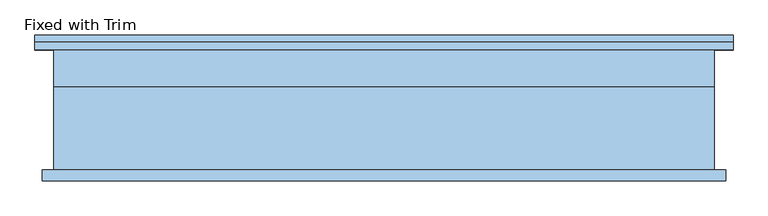
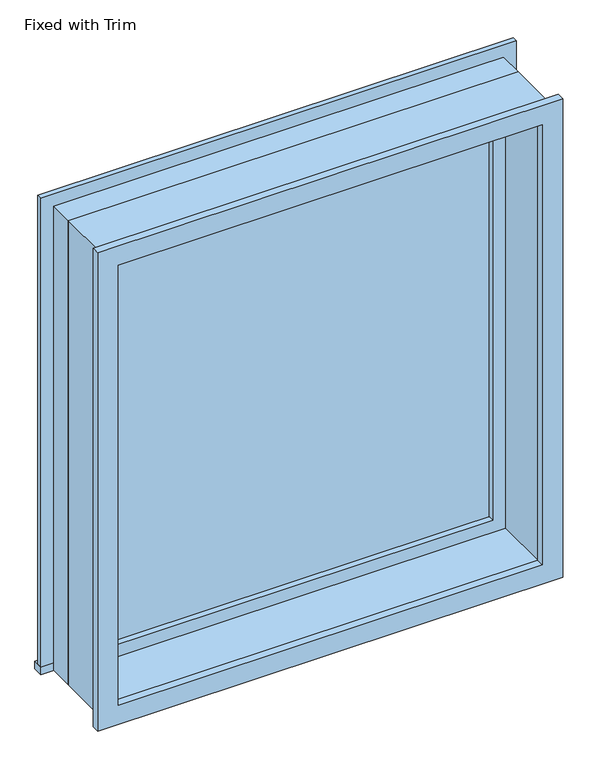
"""IFC4 building model written with IfcOpenShell, lengths in millimetres: window geometry, Fixed with Trim."""

from ifc_helpers import new_model, si_unit, frame, origin, place, context, project, spatial, polyline, outline, extrude, source, transform, mapped, element, save


def fixed_with_trim_db63b5d6(model_context):
    return source(origin(), model_context, "Body", "SweptSolid", [
        extrude(outline(polyline([(-628.65, 127.0), (552.45, 127.0), (552.45, 101.6), (-628.65, 101.6), (-628.65, 127.0)])), frame((0.0, 0.0, 914.4), z_axis=(0.0, 0.0, 1.0), x_axis=(1.0, 0.0, 0.0)), (0.0, 0.0, 1.0), 19.05),
        extrude(outline(polyline([(2114.55, -577.85), (2114.55, 501.65), (933.45, 501.65), (933.45, 552.45), (2165.35, 552.45), (2165.35, -628.65), (933.45, -628.65), (933.45, -577.85), (2114.55, -577.85)])), frame((0.0, 101.6, 0.0), z_axis=(0.0, 1.0, 0.0), x_axis=(0.0, 0.0, 1.0)), (0.0, 0.0, 1.0), 12.7),
        extrude(outline(polyline([(2152.65, 539.75), (2152.65, -615.95), (895.35, -615.95), (895.35, 539.75), (2152.65, 539.75)]), holes=[polyline([(2101.85, 488.95), (946.15, 488.95), (946.15, -565.15), (2101.85, -565.15), (2101.85, 488.95)])]), frame((0.0, -120.65, 0.0), z_axis=(0.0, 1.0, 0.0), x_axis=(0.0, 0.0, 1.0)), (0.0, 0.0, 1.0), 19.05),
        extrude(outline(polyline([(457.2, 53.975), (-533.4, 53.975), (-533.4, 66.675), (457.2, 66.675), (457.2, 53.975)])), frame((0.0, 0.0, 977.9), z_axis=(0.0, 0.0, 1.0), x_axis=(1.0, 0.0, 0.0)), (0.0, 0.0, 1.0), 1092.2),
        extrude(outline(polyline([(2114.55, -577.85), (933.45, -577.85), (933.45, 501.65), (2114.55, 501.65), (2114.55, -577.85)]), holes=[polyline([(2070.1, -533.4), (2070.1, 457.2), (977.9, 457.2), (977.9, -533.4), (2070.1, -533.4)])]), frame((0.0, 38.1, 0.0), z_axis=(0.0, 1.0, 0.0), x_axis=(0.0, 0.0, 1.0)), (0.0, 0.0, 1.0), 44.45),
        extrude(outline(polyline([(2133.6, -596.9), (914.4, -596.9), (914.4, 520.7), (2133.6, 520.7), (2133.6, -596.9)]), holes=[polyline([(2101.85, -565.15), (2101.85, 488.95), (946.15, 488.95), (946.15, -565.15), (2101.85, -565.15)])]), frame((0.0, -101.6, 0.0), z_axis=(0.0, 1.0, 0.0), x_axis=(0.0, 0.0, 1.0)), (0.0, 0.0, 1.0), 139.7),
        extrude(outline(polyline([(2133.6, 520.7), (2133.6, -596.9), (914.4, -596.9), (914.4, 520.7), (2133.6, 520.7)]), holes=[polyline([(2114.55, 501.65), (933.45, 501.65), (933.45, -577.85), (2114.55, -577.85), (2114.55, 501.65)])]), frame((0.0, 38.1, 0.0), z_axis=(0.0, 1.0, 0.0), x_axis=(0.0, 0.0, 1.0)), (0.0, 0.0, 1.0), 63.5),
    ])


if __name__ == "__main__":
    model = new_model("IFC4")
    model_context = context("Model", 3, world=origin())
    ifc_project = project(units=[si_unit("LENGTHUNIT", "METRE", prefix="MILLI")], contexts=[model_context])
    site = spatial("IfcSite", under=ifc_project)
    building = spatial("IfcBuilding", under=site)
    placement = place(None, origin())
    fixed_with_trim_shape = fixed_with_trim_db63b5d6(model_context)
    element("IfcWindow", 1, ObjectType="Fixed with Trim", at=placement, inside=building, context=model_context, shape_type="MappedRepresentation", body=[
        mapped(fixed_with_trim_shape, transform((0.0, 0.0, 0.0), x_axis=(1.0, 0.0, 0.0), y_axis=(0.0, 1.0, 0.0), z_axis=(0.0, 0.0, 1.0))),
    ])
    save(model, "model.ifc")
